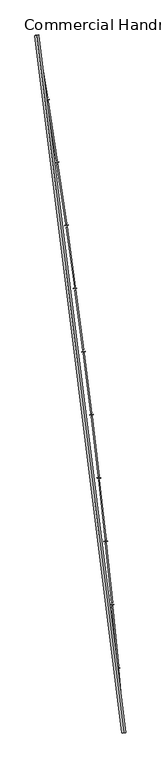
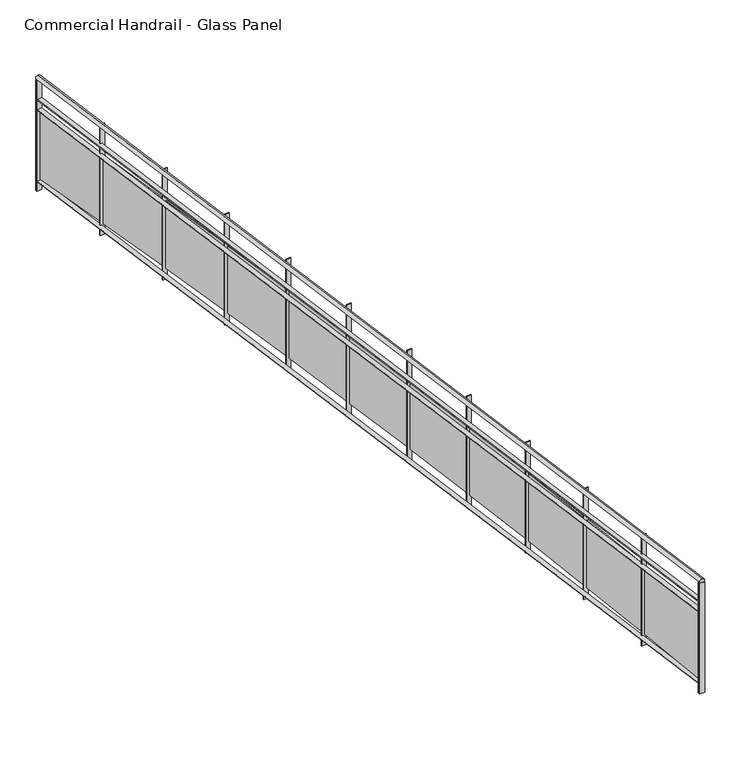
"""IFC4 building model written with IfcOpenShell, lengths in millimetres: railing geometry, Commercial Handrail - Glass Panel."""

from ifc_helpers import new_model, si_unit, point, frame, origin, place, context, project, spatial, polyline, circle_curve, ellipse_curve, trimmed, outline, extrude, source, transform, mapped, element, save
from ifc_brep_helpers import plane_surface, cylinder_surface, revolved_surface, advanced_brep


def commercial_handrail_glass_panel_e72ce41b(model_context):
    return source(origin(), model_context, "Body", "SolidModel", [
        advanced_brep(
        [(155415.1518736, -49813.1101198, 6082.5), (156507.3198577, -58575.9102119, 6082.5), (156507.3198577, -58575.9102119, 6117.5), (155415.1518736, -49813.1101198, 6117.5)],
        [
            (0, 1, circle_curve(frame((49774.785812, -67429.2570352, 6082.5), z_axis=(0.0, 0.0, -1.0), x_axis=(0.9965773914870409, 0.08266500333808188, 0.0)), 107099.0923108)),
            (1, 2, ellipse_curve(frame((156507.3198577, -58575.9102119, 6100.0), z_axis=(-0.08266500333808835, 0.9965773914870406, 0.0), x_axis=(0.9965773914870404, 0.08266500333808834, 0.0)), 25.0, 17.5)),
            (2, 3, circle_curve(frame((49774.785812, -67429.2570352, 6117.5), z_axis=(0.0, 0.0, 1.0), x_axis=(0.9965773914870409, 0.08266500333808188, 0.0)), 107099.0923108)),
            (3, 0, ellipse_curve(frame((155415.1518736, -49813.1101198, 6100.0), z_axis=(0.16448455850891983, -0.9863796581500077, 0.0), x_axis=(0.9863796581500075, 0.1644845585089198, 0.0)), 25.0, 17.5)),
            (2, 1, ellipse_curve(frame((156507.3198577, -58575.9102119, 6100.0), z_axis=(-0.08266500333808835, 0.9965773914870406, 0.0), x_axis=(0.9965773914870404, 0.08266500333808834, 0.0)), 25.0, 17.5)),
            (0, 3, ellipse_curve(frame((155415.1518736, -49813.1101198, 6100.0), z_axis=(0.16448455850891983, -0.9863796581500077, 0.0), x_axis=(0.9863796581500075, 0.1644845585089198, 0.0)), 25.0, 17.5)),
        ],
        [
            revolved_surface(trimmed(ellipse_curve(frame((156507.3198577, -58575.9102119, 6100.0), z_axis=(0.08266500333808188, -0.9965773914870409, 0.0), x_axis=(0.0, 0.0, -1.0)), 17.5, 25.0), [point((156507.3198577, -58575.9102119, 6117.5))], [point((156507.3198577, -58575.9102119, 6082.5))], True, "CARTESIAN"), (49774.785812, -67429.2570352, 6100.0), (0.0, 0.0, 1.0)),
            revolved_surface(trimmed(ellipse_curve(frame((156507.3198577, -58575.9102119, 6100.0), z_axis=(0.08266500333808188, -0.9965773914870409, 0.0), x_axis=(0.0, 0.0, -1.0)), 17.5, 25.0), [point((156507.3198577, -58575.9102119, 6082.5))], [point((156507.3198577, -58575.9102119, 6117.5))], True, "CARTESIAN"), (49774.785812, -67429.2570352, 6100.0), (0.0, 0.0, 1.0)),
            plane_surface(frame((156507.3198577, -58575.9102119, 6100.0), z_axis=(0.08266500333808188, -0.9965773914870409, 0.0), x_axis=(0.9965773914870409, 0.08266500333808188, 0.0))),
            plane_surface(frame((155415.1518736, -49813.1101198, 6100.0), z_axis=(-0.16448455850891983, 0.9863796581500076, 0.0), x_axis=(0.9863796581500076, 0.16448455850891983, 0.0))),
        ],
        [
            (0, [[1, 2, 3, 4]]),
            (1, [[-3, 5, -1, 6]]),
            (2, [[-2, -5]]),
            (3, [[-6, -4]]),
        ],
    ),
        advanced_brep(
        [(155392.9583313, -49816.8110224, 5900.0), (156484.8968663, -58577.7701744, 5900.0), (156529.742849, -58574.0502493, 5900.0), (155437.3454159, -49809.4092172, 5900.0), (155392.9583313, -49816.8110224, 5894.0), (156484.8968663, -58577.7701744, 5894.0), (155437.3454159, -49809.4092172, 5894.0), (156529.742849, -58574.0502493, 5894.0)],
        [
            (0, 1, circle_curve(frame((49774.785812, -67429.2570352, 5900.0), z_axis=(0.0, 0.0, -1.0), x_axis=(0.9965773914870409, 0.08266500333808188, 0.0)), 107076.5923108)),
            (1, 2),
            (2, 3, circle_curve(frame((49774.785812, -67429.2570352, 5900.0), z_axis=(0.0, 0.0, 1.0), x_axis=(0.9965773914870409, 0.08266500333808188, 0.0)), 107121.5923108)),
            (3, 0),
            (4, 5, circle_curve(frame((49774.785812, -67429.2570352, 5894.0), z_axis=(0.0, 0.0, -1.0), x_axis=(0.9965773914870409, 0.08266500333808188, 0.0)), 107076.5923108)),
            (5, 1),
            (0, 4),
            (6, 7, circle_curve(frame((49774.785812, -67429.2570352, 5894.0), z_axis=(0.0, 0.0, -1.0), x_axis=(0.9965773914870409, 0.08266500333808188, 0.0)), 107121.5923108)),
            (7, 5),
            (4, 6),
            (2, 7),
            (6, 3),
        ],
        [
            plane_surface(frame((49774.785812, -67429.2570352, 5900.0), z_axis=(0.0, 0.0, 1.0), x_axis=(0.9965773914870409, 0.08266500333808188, 0.0))),
            revolved_surface(polyline([(156484.89686641842, -58577.77017439729, 5900.0), (156484.89686641842, -58577.77017439729, 5894.0)]), (49774.785812, -67429.2570352, 5900.0), (0.0, 0.0, 1.0)),
            plane_surface(frame((49774.785812, -67429.2570352, 5894.0), z_axis=(0.0, 0.0, -1.0), x_axis=(0.9965773914870409, 0.08266500333808188, 0.0))),
            cylinder_surface(frame((49774.785812, -67429.2570352, 5900.0), z_axis=(0.0, 0.0, 1.0), x_axis=(0.9965773914870409, 0.08266500333808188, 0.0)), 107121.5923108),
            plane_surface(frame((156507.3198577, -58575.9102119, 5900.0), z_axis=(0.08266500333808188, -0.9965773914870409, 0.0), x_axis=(0.9965773914870409, 0.08266500333808188, 0.0))),
            plane_surface(frame((155415.1518736, -49813.1101198, 5900.0), z_axis=(-0.16448455850891983, 0.9863796581500076, 0.0), x_axis=(0.9863796581500076, 0.16448455850891983, 0.0))),
        ],
        [
            (0, [[1, 2, 3, 4]]),
            (1, [[5, 6, -1, 7]]),
            (2, [[8, 9, -5, 10]]),
            (3, [[-3, 11, -8, 12]]),
            (4, [[-2, -6, -9, -11]]),
            (5, [[-12, -10, -7, -4]]),
        ],
    ),
        advanced_brep(
        [(155392.9583313, -49816.8110224, 5800.0), (156484.8968663, -58577.7701744, 5800.0), (156529.742849, -58574.0502493, 5800.0), (155437.3454159, -49809.4092172, 5800.0), (155392.9583313, -49816.8110224, 5794.0), (156484.8968663, -58577.7701744, 5794.0), (155437.3454159, -49809.4092172, 5794.0), (156529.742849, -58574.0502493, 5794.0)],
        [
            (0, 1, circle_curve(frame((49774.785812, -67429.2570352, 5800.0), z_axis=(0.0, 0.0, -1.0), x_axis=(0.9965773914870409, 0.08266500333808188, 0.0)), 107076.5923108)),
            (1, 2),
            (2, 3, circle_curve(frame((49774.785812, -67429.2570352, 5800.0), z_axis=(0.0, 0.0, 1.0), x_axis=(0.9965773914870409, 0.08266500333808188, 0.0)), 107121.5923108)),
            (3, 0),
            (4, 5, circle_curve(frame((49774.785812, -67429.2570352, 5794.0), z_axis=(0.0, 0.0, -1.0), x_axis=(0.9965773914870409, 0.08266500333808188, 0.0)), 107076.5923108)),
            (5, 1),
            (0, 4),
            (6, 7, circle_curve(frame((49774.785812, -67429.2570352, 5794.0), z_axis=(0.0, 0.0, -1.0), x_axis=(0.9965773914870409, 0.08266500333808188, 0.0)), 107121.5923108)),
            (7, 5),
            (4, 6),
            (2, 7),
            (6, 3),
        ],
        [
            plane_surface(frame((49774.785812, -67429.2570352, 5800.0), z_axis=(0.0, 0.0, 1.0), x_axis=(0.9965773914870409, 0.08266500333808188, 0.0))),
            revolved_surface(polyline([(156484.89686641842, -58577.77017439729, 5800.0), (156484.89686641842, -58577.77017439729, 5794.0)]), (49774.785812, -67429.2570352, 5800.0), (0.0, 0.0, 1.0)),
            plane_surface(frame((49774.785812, -67429.2570352, 5794.0), z_axis=(0.0, 0.0, -1.0), x_axis=(0.9965773914870409, 0.08266500333808188, 0.0))),
            cylinder_surface(frame((49774.785812, -67429.2570352, 5800.0), z_axis=(0.0, 0.0, 1.0), x_axis=(0.9965773914870409, 0.08266500333808188, 0.0)), 107121.5923108),
            plane_surface(frame((156507.3198577, -58575.9102119, 5800.0), z_axis=(0.08266500333808188, -0.9965773914870409, 0.0), x_axis=(0.9965773914870409, 0.08266500333808188, 0.0))),
            plane_surface(frame((155415.1518736, -49813.1101198, 5800.0), z_axis=(-0.16448455850891983, 0.9863796581500076, 0.0), x_axis=(0.9863796581500076, 0.16448455850891983, 0.0))),
        ],
        [
            (0, [[1, 2, 3, 4]]),
            (1, [[5, 6, -1, 7]]),
            (2, [[8, 9, -5, 10]]),
            (3, [[-3, 11, -8, 12]]),
            (4, [[-2, -6, -9, -11]]),
            (5, [[-12, -10, -7, -4]]),
        ],
    ),
        advanced_brep(
        [(155392.9583313, -49816.8110224, 5100.0), (156484.8968663, -58577.7701744, 5100.0), (156529.742849, -58574.0502493, 5100.0), (155437.3454159, -49809.4092172, 5100.0), (155392.9583313, -49816.8110224, 5094.0), (156484.8968663, -58577.7701744, 5094.0), (155437.3454159, -49809.4092172, 5094.0), (156529.742849, -58574.0502493, 5094.0)],
        [
            (0, 1, circle_curve(frame((49774.785812, -67429.2570352, 5100.0), z_axis=(0.0, 0.0, -1.0), x_axis=(0.9965773914870409, 0.08266500333808188, 0.0)), 107076.5923108)),
            (1, 2),
            (2, 3, circle_curve(frame((49774.785812, -67429.2570352, 5100.0), z_axis=(0.0, 0.0, 1.0), x_axis=(0.9965773914870409, 0.08266500333808188, 0.0)), 107121.5923108)),
            (3, 0),
            (4, 5, circle_curve(frame((49774.785812, -67429.2570352, 5094.0), z_axis=(0.0, 0.0, -1.0), x_axis=(0.9965773914870409, 0.08266500333808188, 0.0)), 107076.5923108)),
            (5, 1),
            (0, 4),
            (6, 7, circle_curve(frame((49774.785812, -67429.2570352, 5094.0), z_axis=(0.0, 0.0, -1.0), x_axis=(0.9965773914870409, 0.08266500333808188, 0.0)), 107121.5923108)),
            (7, 5),
            (4, 6),
            (2, 7),
            (6, 3),
        ],
        [
            plane_surface(frame((49774.785812, -67429.2570352, 5100.0), z_axis=(0.0, 0.0, 1.0), x_axis=(0.9965773914870409, 0.08266500333808188, 0.0))),
            revolved_surface(polyline([(156484.89686641842, -58577.77017439729, 5100.0), (156484.89686641842, -58577.77017439729, 5094.0)]), (49774.785812, -67429.2570352, 5100.0), (0.0, 0.0, 1.0)),
            plane_surface(frame((49774.785812, -67429.2570352, 5094.0), z_axis=(0.0, 0.0, -1.0), x_axis=(0.9965773914870409, 0.08266500333808188, 0.0))),
            cylinder_surface(frame((49774.785812, -67429.2570352, 5100.0), z_axis=(0.0, 0.0, 1.0), x_axis=(0.9965773914870409, 0.08266500333808188, 0.0)), 107121.5923108),
            plane_surface(frame((156507.3198577, -58575.9102119, 5100.0), z_axis=(0.08266500333808188, -0.9965773914870409, 0.0), x_axis=(0.9965773914870409, 0.08266500333808188, 0.0))),
            plane_surface(frame((155415.1518736, -49813.1101198, 5100.0), z_axis=(-0.16448455850891983, 0.9863796581500076, 0.0), x_axis=(0.9863796581500076, 0.16448455850891983, 0.0))),
        ],
        [
            (0, [[1, 2, 3, 4]]),
            (1, [[5, 6, -1, 7]]),
            (2, [[8, 9, -5, 10]]),
            (3, [[-3, 11, -8, 12]]),
            (4, [[-2, -6, -9, -11]]),
            (5, [[-12, -10, -7, -4]]),
        ],
    ),
        extrude(outline(polyline([(155440.5602167, -49828.6983042), (155396.1719887, -49836.0932495), (155395.185996, -49830.1748191), (155439.574224, -49822.7798738), (155440.5602167, -49828.6983042)])), frame((0.0, 0.0, 5000.0), z_axis=(0.0, 0.0, 1.0), x_axis=(1.0, 0.0, 0.0)), (0.0, 0.0, 1.0), 1082.1192282),
        extrude(outline(polyline([(155537.9927324, -50600.148842), (155415.9010924, -49850.0197655), (155427.7452357, -49848.0920027), (155549.8368757, -50598.2210792), (155537.9927324, -50600.148842)])), frame((0.0, 0.0, 5120.0), z_axis=(0.0, 0.0, 1.0), x_axis=(1.0, 0.0, 0.0)), (0.0, 0.0, 1.0), 660.0),
        extrude(outline(polyline([(155569.0823153, -50618.4755081), (155524.640088, -50625.5386825), (155523.6983314, -50619.6130522), (155568.1405587, -50612.5498778), (155569.0823153, -50618.4755081)])), frame((0.0, 0.0, 5000.0), z_axis=(0.0, 0.0, 1.0), x_axis=(1.0, 0.0, 0.0)), (0.0, 0.0, 1.0), 1082.1192282),
        extrude(outline(polyline([(155660.7496486, -51390.6323103), (155544.2646152, -50639.6121795), (155556.1228277, -50637.7729421), (155672.6078612, -51388.793073), (155660.7496486, -51390.6323103)])), frame((0.0, 0.0, 5120.0), z_axis=(0.0, 0.0, 1.0), x_axis=(1.0, 0.0, 0.0)), (0.0, 0.0, 1.0), 660.0),
        extrude(outline(polyline([(155691.7014704, -51409.1906934), (155647.2077235, -51415.921703), (155646.3102556, -51409.9892034), (155690.8040025, -51403.2581938), (155691.7014704, -51409.1906934)])), frame((0.0, 0.0, 5000.0), z_axis=(0.0, 0.0, 1.0), x_axis=(1.0, 0.0, 0.0)), (0.0, 0.0, 1.0), 1082.1192282),
        extrude(outline(polyline([(155777.5985065, -52182.0106766), (155666.7265791, -51430.1413956), (155678.5981993, -51428.3907863), (155789.4701268, -52180.2600673), (155777.5985065, -52182.0106766)])), frame((0.0, 0.0, 5120.0), z_axis=(0.0, 0.0, 1.0), x_axis=(1.0, 0.0, 0.0)), (0.0, 0.0, 1.0), 660.0),
        extrude(outline(polyline([(155808.4108402, -52200.7997412), (155763.8680564, -52207.1982104), (155763.0149272, -52201.2591725), (155807.557711, -52194.8607033), (155808.4108402, -52200.7997412)])), frame((0.0, 0.0, 5000.0), z_axis=(0.0, 0.0, 1.0), x_axis=(1.0, 0.0, 0.0)), (0.0, 0.0, 1.0), 1082.1192282),
        extrude(outline(polyline([(155888.5327865, -52974.2397848), (155783.2801513, -52221.5633053), (155795.1645168, -52219.9014216), (155900.4171519, -52972.5779011), (155888.5327865, -52974.2397848)])), frame((0.0, 0.0, 5120.0), z_axis=(0.0, 0.0, 1.0), x_axis=(1.0, 0.0, 0.0)), (0.0, 0.0, 1.0), 660.0),
        extrude(outline(polyline([(155919.2039129, -52993.2584824), (155874.6145774, -52999.3240542), (155873.8058345, -52993.3788094), (155918.39517, -52987.3132377), (155919.2039129, -52993.2584824)])), frame((0.0, 0.0, 5000.0), z_axis=(0.0, 0.0, 1.0), x_axis=(1.0, 0.0, 0.0)), (0.0, 0.0, 1.0), 1082.1192282),
        extrude(outline(polyline([(155993.5462987, -53767.2754312), (155893.9188285, -53013.8337498), (155905.8152761, -53012.2606845), (156005.4427463, -53765.7023659), (155993.5462987, -53767.2754312)])), frame((0.0, 0.0, 5120.0), z_axis=(0.0, 0.0, 1.0), x_axis=(1.0, 0.0, 0.0)), (0.0, 0.0, 1.0), 660.0),
        extrude(outline(polyline([(156024.0745064, -53786.5227008), (155979.4411072, -53792.2550367), (155978.6767957, -53786.3039168), (156023.3101949, -53780.5715809), (156024.0745064, -53786.5227008)])), frame((0.0, 0.0, 5000.0), z_axis=(0.0, 0.0, 1.0), x_axis=(1.0, 0.0, 0.0)), (0.0, 0.0, 1.0), 1082.1192282),
        extrude(outline(polyline([(156092.6331838, -54561.0733673), (155998.6364375, -53806.9085235), (156010.5443034, -53805.4243644), (156104.5410497, -54559.5892082), (156092.6331838, -54561.0733673)])), frame((0.0, 0.0, 5120.0), z_axis=(0.0, 0.0, 1.0), x_axis=(1.0, 0.0, 0.0)), (0.0, 0.0, 1.0), 660.0),
        extrude(outline(polyline([(156123.0167695, -54580.548135), (156078.3417969, -54585.9469151), (156077.6219596, -54579.9902521), (156122.2969321, -54574.591472), (156123.0167695, -54580.548135)])), frame((0.0, 0.0, 5000.0), z_axis=(0.0, 0.0, 1.0), x_axis=(1.0, 0.0, 0.0)), (0.0, 0.0, 1.0), 1082.1192282),
        extrude(outline(polyline([(156185.787913, -55355.5893021), (156097.4271353, -54600.7433755), (156109.3457552, -54599.3482053), (156197.7065329, -55354.194132), (156185.787913, -55355.5893021)])), frame((0.0, 0.0, 5120.0), z_axis=(0.0, 0.0, 1.0), x_axis=(1.0, 0.0, 0.0)), (0.0, 0.0, 1.0), 660.0),
        extrude(outline(polyline([(156216.0251814, -55375.2904812), (156171.3111282, -55380.3554043), (156170.6358051, -55374.3935306), (156215.3498583, -55369.3286074), (156216.0251814, -55375.2904812)])), frame((0.0, 0.0, 5000.0), z_axis=(0.0, 0.0, 1.0), x_axis=(1.0, 0.0, 0.0)), (0.0, 0.0, 1.0), 1082.1192282),
        extrude(outline(polyline([(156273.0052888, -56150.7789044), (156190.2854098, -55395.2940127), (156202.2141186, -55393.9879094), (156284.9339976, -56149.4728011), (156273.0052888, -56150.7789044)])), frame((0.0, 0.0, 5120.0), z_axis=(0.0, 0.0, 1.0), x_axis=(1.0, 0.0, 0.0)), (0.0, 0.0, 1.0), 660.0),
        extrude(outline(polyline([(156303.0945527, -56170.7053956), (156258.3439138, -56175.4361792), (156257.7131426, -56169.4694274), (156302.4637816, -56164.7386437), (156303.0945527, -56170.7053956)])), frame((0.0, 0.0, 5000.0), z_axis=(0.0, 0.0, 1.0), x_axis=(1.0, 0.0, 0.0)), (0.0, 0.0, 1.0), 1082.1192282),
        extrude(outline(polyline([(156354.2804446, -56946.5978055), (156277.2060799, -56190.5161021), (156289.144212, -56189.2991384), (156366.2185768, -56945.3808418), (156354.2804446, -56946.5978055)])), frame((0.0, 0.0, 5120.0), z_axis=(0.0, 0.0, 1.0), x_axis=(1.0, 0.0, 0.0)), (0.0, 0.0, 1.0), 660.0),
        extrude(outline(polyline([(156384.2200253, -56966.748497), (156339.4352975, -56971.1448771), (156338.8491135, -56965.17358), (156383.6338412, -56960.7771999), (156384.2200253, -56966.748497)])), frame((0.0, 0.0, 5000.0), z_axis=(0.0, 0.0, 1.0), x_axis=(1.0, 0.0, 0.0)), (0.0, 0.0, 1.0), 1082.1192282),
        extrude(outline(polyline([(156429.6088457, -57743.0016015), (156358.1842956, -56986.3652729), (156370.131185, -56985.2375169), (156441.5557351, -57741.8738454), (156429.6088457, -57743.0016015)])), frame((0.0, 0.0, 5120.0), z_axis=(0.0, 0.0, 1.0), x_axis=(1.0, 0.0, 0.0)), (0.0, 0.0, 1.0), 660.0),
        extrude(outline(polyline([(156459.3970725, -57763.3753689), (156414.5807547, -57767.4371002), (156414.0391905, -57761.4615912), (156458.8555083, -57757.3998599), (156459.3970725, -57763.3753689)])), frame((0.0, 0.0, 5000.0), z_axis=(0.0, 0.0, 1.0), x_axis=(1.0, 0.0, 0.0)), (0.0, 0.0, 1.0), 1082.1192282),
        extrude(outline(polyline([(156498.9862889, -58539.9458559), (156433.2155387, -57782.7971199), (156445.1705188, -57781.7586343), (156510.9412689, -58538.9073703), (156498.9862889, -58539.9458559)])), frame((0.0, 0.0, 5120.0), z_axis=(0.0, 0.0, 1.0), x_axis=(1.0, 0.0, 0.0)), (0.0, 0.0, 1.0), 660.0),
        extrude(outline(polyline([(156528.6214998, -58560.5415625), (156483.7760926, -58564.2684183), (156483.2791785, -58558.2890307), (156528.1245856, -58554.5621749), (156528.6214998, -58560.5415625)])), frame((0.0, 0.0, 5000.0), z_axis=(0.0, 0.0, 1.0), x_axis=(1.0, 0.0, 0.0)), (0.0, 0.0, 1.0), 1082.1192282),
        extrude(outline(polyline([(155437.8388696, -49812.3683562), (155393.451785, -49819.7701613), (155392.4648776, -49813.8518834), (155436.8519623, -49806.4500783), (155437.8388696, -49812.3683562)])), frame((0.0, 0.0, 5000.0), z_axis=(0.0, 0.0, 1.0), x_axis=(1.0, 0.0, 0.0)), (0.0, 0.0, 1.0), 1082.1192282),
        extrude(outline(polyline([(156529.990844, -58577.0399815), (156485.1448614, -58580.7599066), (156484.6488713, -58574.7804423), (156529.494854, -58571.0605171), (156529.990844, -58577.0399815)])), frame((0.0, 0.0, 5000.0), z_axis=(0.0, 0.0, 1.0), x_axis=(1.0, 0.0, 0.0)), (0.0, 0.0, 1.0), 1082.1192282),
    ])


if __name__ == "__main__":
    model = new_model("IFC4")
    model_context = context("Model", 3, world=origin())
    ifc_project = project(units=[si_unit("LENGTHUNIT", "METRE", prefix="MILLI")], contexts=[model_context])
    site = spatial("IfcSite", under=ifc_project)
    building = spatial("IfcBuilding", under=site)
    placement = place(None, origin())
    commercial_handrail_glass_panel_shape = commercial_handrail_glass_panel_e72ce41b(model_context)
    element("IfcRailing", 1, ObjectType="Commercial Handrail - Glass Panel", at=placement, inside=building, context=model_context, shape_type="MappedRepresentation", body=[
        mapped(commercial_handrail_glass_panel_shape, transform((0.0, 0.0, 0.0), x_axis=(1.0, 0.0, 0.0), y_axis=(0.0, 1.0, 0.0), z_axis=(0.0, 0.0, 1.0))),
    ])
    save(model, "model.ifc")
